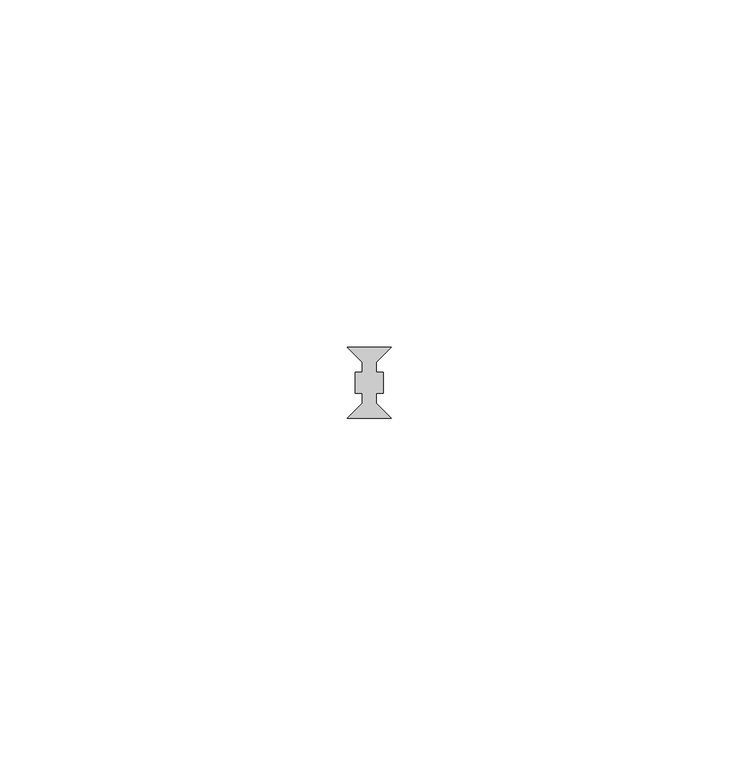
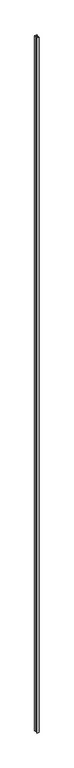
"""IFC4 building model written with IfcOpenShell, lengths in millimetres: member geometry."""

from ifc_helpers import new_model, si_unit, frame, origin, place, context, project, spatial, polyline, outline, extrude, source, transform, mapped, element, save


def member_f92dac0b(model_context):
    return source(origin(), model_context, "Body", "SweptSolid", [
        extrude(outline(polyline([(3.15, 5.1), (1.0, 2.95), (1.0, 1.5), (2.0, 1.5), (2.0, -1.5), (1.0, -1.5), (1.0, -2.95), (3.15, -5.1), (-3.15, -5.1), (-1.0, -2.95), (-1.0, -1.5), (-2.0, -1.5), (-2.0, 0.2127369), (-2.0, 1.5), (-1.0, 1.5), (-1.0, 2.95), (-3.15, 5.1), (3.15, 5.1)])), frame((0.0, 0.0, -1982.0), z_axis=(0.0, 0.0, 1.0), x_axis=(1.0, 0.0, 0.0)), (0.0, 0.0, 1.0), 1982.0),
    ])


if __name__ == "__main__":
    model = new_model("IFC4")
    model_context = context("Model", 3, world=origin())
    ifc_project = project(units=[si_unit("LENGTHUNIT", "METRE", prefix="MILLI")], contexts=[model_context])
    site = spatial("IfcSite", under=ifc_project)
    building = spatial("IfcBuilding", under=site)
    placement = place(None, origin())
    member_shape = member_f92dac0b(model_context)
    element("IfcMember", 1, at=placement, inside=building, context=model_context, shape_type="MappedRepresentation", body=[
        mapped(member_shape, transform((0.0, 0.0, 0.0), x_axis=(1.0, 0.0, 0.0), y_axis=(0.0, 1.0, 0.0), z_axis=(0.0, 0.0, 1.0))),
    ])
    save(model, "model.ifc")
